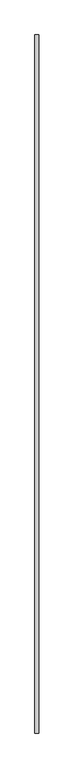
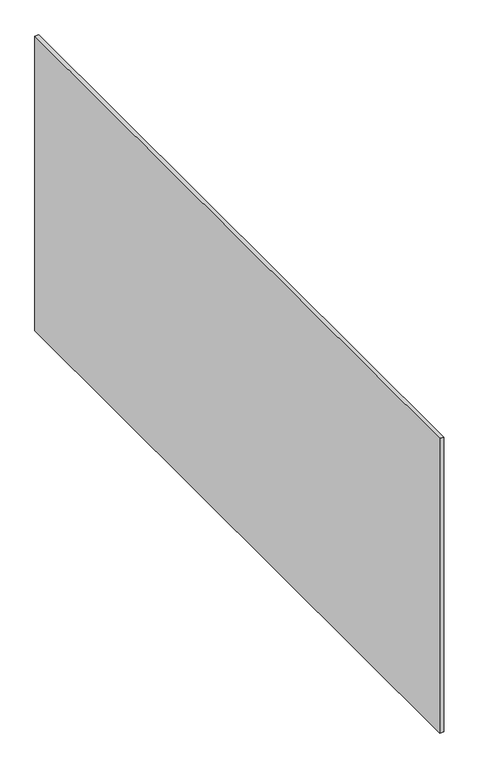
"""IFC4 building model written with IfcOpenShell, lengths in millimetres: proxy geometry."""

from ifc_helpers import new_model, si_unit, origin, origin_with_axes, place, context, project, spatial, polyline, outline, extrude, source, transform, mapped, element, save


def generic_models_bdba73b7(model_context):
    return source(origin(), model_context, "Body", "SweptSolid", [
        extrude(outline(polyline([(20.0, 3600.0), (20.0, 0.0), (0.0, 0.0), (0.0, 3600.0), (20.0, 3600.0)])), origin_with_axes(), (0.0, 0.0, 1.0), 1600.0),
    ])


if __name__ == "__main__":
    model = new_model("IFC4")
    model_context = context("Model", 3, world=origin())
    ifc_project = project(units=[si_unit("LENGTHUNIT", "METRE", prefix="MILLI")], contexts=[model_context])
    site = spatial("IfcSite", under=ifc_project)
    building = spatial("IfcBuilding", under=site)
    placement = place(None, origin())
    generic_models_shape = generic_models_bdba73b7(model_context)
    element("IfcBuildingElementProxy", 1, Name="Generic Models", at=placement, inside=building, context=model_context, shape_type="MappedRepresentation", body=[
        mapped(generic_models_shape, transform((0.0, 0.0, 0.0), x_axis=(1.0, 0.0, 0.0), y_axis=(0.0, 1.0, 0.0), z_axis=(0.0, 0.0, 1.0))),
    ])
    save(model, "model.ifc")
